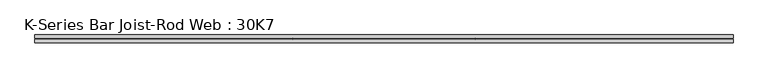
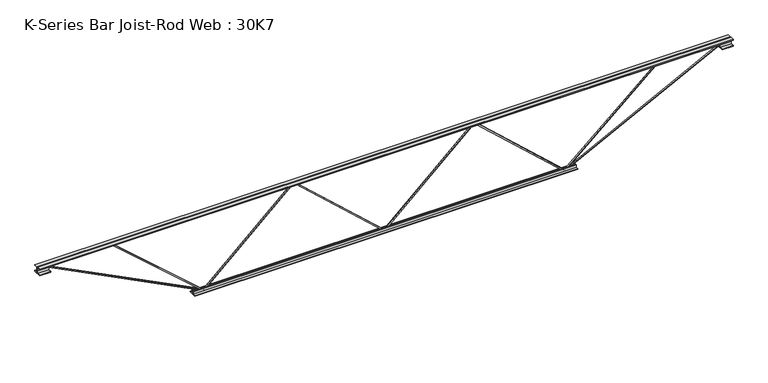
"""IFC4 building model written with IfcOpenShell, lengths in millimetres: beam geometry, K-Series Bar Joist-Rod Web : 30K7."""

from ifc_helpers import new_model, si_unit, frame, origin, place, context, project, spatial, polyline, outline, extrude, source, transform, mapped, element, save


def k_series_bar_joist_rod_web_30k7_f1fe8b17(model_context):
    return source(origin(), model_context, "Body", "SweptSolid", [
        extrude(outline(polyline([(-369.8875, 0.0), (-379.4125, 0.0), (-379.4125, 5.0211629), (369.8875, 826.2648826), (369.8875, 828.9225569), (-379.4125, 1650.1662767), (-379.4125, 1655.1874395), (-369.8875, 1655.1874395), (-369.8875, 1653.8586024), (379.4125, 832.6148826), (379.4125, 822.5725569), (-369.8875, 1.3288371), (-369.8875, 0.0)])), frame((0.0, -4.7625, 0.0), z_axis=(0.0, 1.0, 0.0), x_axis=(0.0, 0.0, 1.0)), (0.0, 0.0, 1.0), 9.525),
        extrude(outline(polyline([(-369.8875, -1655.1874395), (-379.4125, -1655.1874395), (-379.4125, -1650.1662767), (369.8875, -828.9225569), (369.8875, -826.2648826), (-379.4125, -5.0211629), (-379.4125, 0.0), (-369.8875, 0.0), (-369.8875, -1.3288371), (379.4125, -822.5725569), (379.4125, -832.6148826), (-369.8875, -1653.8586024), (-369.8875, -1655.1874395)])), frame((0.0, -4.7625, 0.0), z_axis=(0.0, 1.0, 0.0), x_axis=(0.0, 0.0, 1.0)), (0.0, 0.0, 1.0), 9.525),
        extrude(outline(polyline([(4.7625, 381.0), (36.5125, 381.0), (36.5125, 374.65), (11.1125, 374.65), (11.1125, 349.25), (4.7625, 349.25), (4.7625, 381.0)])), frame((-3179.1874395, 0.0, 0.0), z_axis=(1.0, 0.0, 0.0), x_axis=(0.0, 1.0, 0.0)), (0.0, 0.0, 1.0), 6358.3748791),
        extrude(outline(polyline([(-4.7625, 381.0), (-4.7625, 349.25), (-11.1125, 349.25), (-11.1125, 374.65), (-36.5125, 374.65), (-36.5125, 381.0), (-4.7625, 381.0)])), frame((-3179.1874395, 0.0, 0.0), z_axis=(1.0, 0.0, 0.0), x_axis=(0.0, 1.0, 0.0)), (0.0, 0.0, 1.0), 6358.3748791),
        extrude(outline(polyline([(-4.7625, 317.5), (-36.5125, 317.5), (-36.5125, 323.85), (-11.1125, 323.85), (-11.1125, 349.25), (-4.7625, 349.25), (-4.7625, 317.5)])), frame((-3179.1874395, 0.0, 0.0), z_axis=(1.0, 0.0, 0.0), x_axis=(0.0, 1.0, 0.0)), (0.0, 0.0, 1.0), 101.6),
        extrude(outline(polyline([(36.5125, 317.5), (4.7625, 317.5), (4.7625, 349.25), (11.1125, 349.25), (11.1125, 323.85), (36.5125, 323.85), (36.5125, 317.5)])), frame((-3179.1874395, 0.0, 0.0), z_axis=(1.0, 0.0, 0.0), x_axis=(0.0, 1.0, 0.0)), (0.0, 0.0, 1.0), 101.6),
        extrude(outline(polyline([(4.7625, 317.5), (4.7625, 349.25), (11.1125, 349.25), (11.1125, 323.85), (36.5125, 323.85), (36.5125, 317.5), (4.7625, 317.5)])), frame((3077.5874395, 0.0, 0.0), z_axis=(1.0, 0.0, 0.0), x_axis=(0.0, 1.0, 0.0)), (0.0, 0.0, 1.0), 101.6),
        extrude(outline(polyline([(-4.7625, 317.5), (-36.5125, 317.5), (-36.5125, 323.85), (-11.1125, 323.85), (-11.1125, 349.25), (-4.7625, 349.25), (-4.7625, 317.5)])), frame((3077.5874395, 0.0, 0.0), z_axis=(1.0, 0.0, 0.0), x_axis=(0.0, 1.0, 0.0)), (0.0, 0.0, 1.0), 101.6),
        extrude(outline(polyline([(4.7625, -381.0), (4.7625, -349.25), (11.1125, -349.25), (11.1125, -374.65), (36.5125, -374.65), (36.5125, -381.0), (4.7625, -381.0)])), frame((-1756.7874395, 0.0, 0.0), z_axis=(1.0, 0.0, 0.0), x_axis=(0.0, 1.0, 0.0)), (0.0, 0.0, 1.0), 3513.5748791),
        extrude(outline(polyline([(-4.7625, -381.0), (-36.5125, -381.0), (-36.5125, -374.65), (-11.1125, -374.65), (-11.1125, -349.25), (-4.7625, -349.25), (-4.7625, -381.0)])), frame((-1756.7874395, 0.0, 0.0), z_axis=(1.0, 0.0, 0.0), x_axis=(0.0, 1.0, 0.0)), (0.0, 0.0, 1.0), 3513.5748791),
        extrude(outline(polyline([(0.0, -9.525), (0.0, 0.0), (1596.011582, 0.0), (1596.011582, -9.525), (0.0, -9.525)])), frame((-3079.7475578, 4.7625, 345.0055571), z_axis=(0.4535681370653388, 0.0, 0.8912216026550738), x_axis=(0.8912216026550738, 0.0, -0.4535681370653388)), (0.0, 0.0, 1.0), 9.525),
        extrude(outline(polyline([(0.0, -9.525), (0.0, 0.0), (1099.5192472, 0.0), (1099.5192472, -9.525), (0.0, -9.525)])), frame((-2485.9166876, 4.7625, 345.6653287), z_axis=(0.658378652155682, 0.0, 0.752686887348031), x_axis=(0.752686887348031, 0.0, -0.658378652155682)), (0.0, 0.0, 1.0), 9.525),
        extrude(outline(polyline([(0.0, -9.525), (0.0, 0.0), (1596.011582, 0.0), (1596.011582, -9.525), (0.0, -9.525)])), frame((3079.7475578, -4.7625, 345.0055571), z_axis=(-0.4535681370653314, 0.0, 0.8912216026550775), x_axis=(-0.8912216026550775, 0.0, -0.4535681370653314)), (0.0, 0.0, 1.0), 9.525),
        extrude(outline(polyline([(0.0, -9.525), (0.0, 0.0), (1099.5192472, 0.0), (1099.5192472, -9.525), (0.0, -9.525)])), frame((2485.9166876, -4.7625, 345.6653287), z_axis=(-0.6583786521556794, 0.0, 0.7526868873480334), x_axis=(-0.7526868873480334, 0.0, -0.6583786521556794)), (0.0, 0.0, 1.0), 9.525),
    ])


if __name__ == "__main__":
    model = new_model("IFC4")
    model_context = context("Model", 3, world=origin())
    ifc_project = project(units=[si_unit("LENGTHUNIT", "METRE", prefix="MILLI")], contexts=[model_context])
    site = spatial("IfcSite", under=ifc_project)
    building = spatial("IfcBuilding", under=site)
    placement = place(None, origin())
    k_series_bar_joist_rod_web_30k7_shape = k_series_bar_joist_rod_web_30k7_f1fe8b17(model_context)
    element("IfcBeam", 1, ObjectType="K-Series Bar Joist-Rod Web : 30K7", at=placement, inside=building, context=model_context, shape_type="MappedRepresentation", body=[
        mapped(k_series_bar_joist_rod_web_30k7_shape, transform((0.0, 0.0, 0.0), x_axis=(1.0, 0.0, 0.0), y_axis=(0.0, 1.0, 0.0), z_axis=(0.0, 0.0, 1.0))),
    ])
    save(model, "model.ifc")
